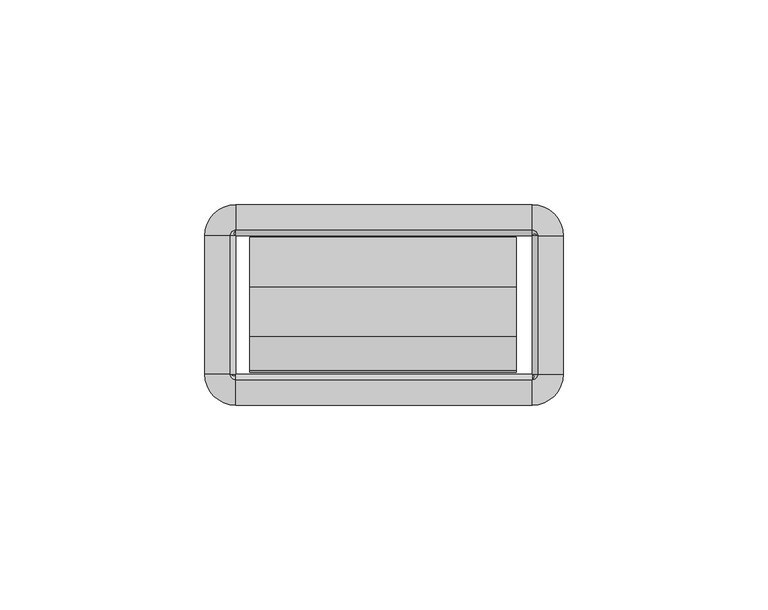
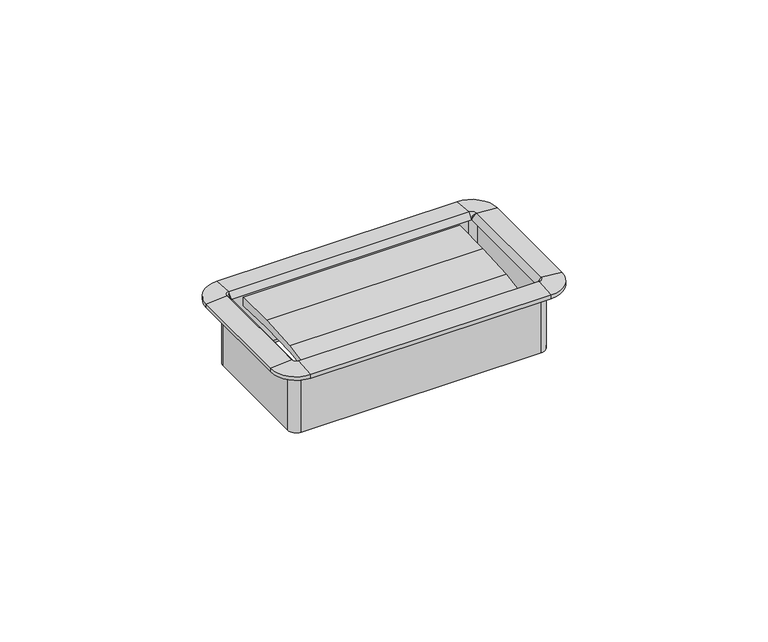
"""IFC4 building model written with IfcOpenShell, lengths in millimetres: furniture geometry."""

import ifcopenshell
import ifcopenshell.guid

model = None  # the IFC model being written
_history = None  # IfcOwnerHistory: only IFC2X3 demands one
_inside = {}  # id of a spatial element -> (the spatial element, [elements in it])
_under = {}  # id of a project, library or spatial element -> (it, [spatial elements below it])
_declared = {}  # id of a project -> (the project, [libraries it declares])
_typed = {}  # id of a type object -> (the type object, [elements of that type])
_made_of = {}  # id of a material, layer set ... -> (it, [elements and type objects made of it])


def new_model(schema):
    """Start an empty IFC model of exactly this schema.

    Asked for "IFC4X3", IfcOpenShell would pick the latest addendum, in which some entities
    have other attributes; the version numbers below select the first issue.
    IFC2X3 requires an IfcOwnerHistory on every rooted entity: one is made here for all.
    """
    global model, _history
    if schema == "IFC4X3":
        model = ifcopenshell.file(schema_version=(4, 3, 0, 0))
    else:
        model = ifcopenshell.file(schema=schema)
    _inside.clear()
    _under.clear()
    _declared.clear()
    _typed.clear()
    _made_of.clear()
    _history = None
    if model.schema == "IFC2X3":
        org = make("IfcOrganization", Name="unknown")
        user = make(
            "IfcPersonAndOrganization",
            ThePerson=make("IfcPerson", FamilyName="unknown"),
            TheOrganization=org,
        )
        app = make(
            "IfcApplication",
            ApplicationDeveloper=org,
            Version="unknown",
            ApplicationFullName="unknown",
            ApplicationIdentifier="unknown",
        )
        _history = make(
            "IfcOwnerHistory",
            OwningUser=user,
            OwningApplication=app,
            ChangeAction="ADDED",
            CreationDate=0,
        )
    return model


def make(cls, **values):
    """One entity of the class cls with the attributes given. An attribute that is None is left unset."""
    return model.create_entity(
        cls, **{name: value for name, value in values.items() if value is not None}
    )


def rooted(cls, **values):
    """An entity with a GlobalId (a new one), such as an element, a storey or a relation."""
    return make(cls, GlobalId=ifcopenshell.guid.new(), OwnerHistory=_history, **values)


def si_unit(unit_type, name, prefix=None):
    """IfcSIUnit, for example si_unit("LENGTHUNIT", "METRE", prefix="MILLI")."""
    return make("IfcSIUnit", UnitType=unit_type, Prefix=prefix, Name=name)


def assignment(units):
    """IfcUnitAssignment: the units of a project."""
    return None if units is None else make("IfcUnitAssignment", Units=units)


def point(xyz):
    """IfcCartesianPoint."""
    return None if xyz is None else make("IfcCartesianPoint", Coordinates=xyz)


def direction(xyz):
    """IfcDirection."""
    return None if xyz is None else make("IfcDirection", DirectionRatios=xyz)


def frame(location, z_axis=None, x_axis=None):
    """IfcAxis2Placement3D, a coordinate frame: its origin and axes. An axis left out is left unset."""
    return make(
        "IfcAxis2Placement3D",
        Location=point(location),
        Axis=direction(z_axis),
        RefDirection=direction(x_axis),
    )


def origin():
    """The frame at (0, 0, 0) with its axes left unset."""
    return frame((0.0, 0.0, 0.0))


def place(relative_to, where):
    """IfcLocalPlacement: puts the frame where relative to a parent placement (None: the world)."""
    return make(
        "IfcLocalPlacement", PlacementRelTo=relative_to, RelativePlacement=where
    )


def context(
    kind, dimensions, precision=None, world=None, true_north=None, identifier=None
):
    """IfcGeometricRepresentationContext, for example the 3D "Model" context."""
    return make(
        "IfcGeometricRepresentationContext",
        ContextIdentifier=identifier,
        ContextType=kind,
        CoordinateSpaceDimension=dimensions,
        Precision=precision,
        WorldCoordinateSystem=world,
        TrueNorth=true_north,
    )


def project(units=None, contexts=None):
    """IfcProject with its units and contexts."""
    return rooted(
        "IfcProject",
        Name="project",
        RepresentationContexts=contexts,
        UnitsInContext=assignment(units),
    )


def spatial(cls, under=None, at=None, **own):
    """A site, building, storey or space (cls), placed at a placement, below another one or the project."""
    s = rooted(cls, ObjectPlacement=at, **own)
    if under is not None:
        _under.setdefault(under.id(), (under, []))[1].append(s)
    return s


def polyline(points):
    """IfcPolyline through the points."""
    return make("IfcPolyline", Points=[point(p) for p in points])


def circle_curve(where, radius):
    """IfcCircle in the frame where."""
    return make("IfcCircle", Position=where, Radius=radius)


def outline(outer, holes=None, kind="AREA"):
    """IfcArbitraryClosedProfileDef: a profile drawn as a closed curve; with holes, ...WithVoids."""
    if holes is None:
        return make("IfcArbitraryClosedProfileDef", ProfileType=kind, OuterCurve=outer)
    return make(
        "IfcArbitraryProfileDefWithVoids",
        ProfileType=kind,
        OuterCurve=outer,
        InnerCurves=holes,
    )


def extrude(swept, where, along, depth):
    """IfcExtrudedAreaSolid: the profile swept, set in the frame where, extruded along a direction by depth."""
    return make(
        "IfcExtrudedAreaSolid",
        SweptArea=swept,
        Position=where,
        ExtrudedDirection=direction(along),
        Depth=depth,
    )


def shape(context_of_items, identifier, shape_type, items):
    """IfcShapeRepresentation: the items that make up one representation, for example the "Body"."""
    return make(
        "IfcShapeRepresentation",
        ContextOfItems=context_of_items,
        RepresentationIdentifier=identifier,
        RepresentationType=shape_type,
        Items=items,
    )


def source(mapping_origin, context_of_items, identifier, shape_type, items):
    """IfcRepresentationMap: a shape defined once, which mapped items show again and again."""
    return make(
        "IfcRepresentationMap",
        MappingOrigin=mapping_origin,
        MappedRepresentation=shape(context_of_items, identifier, shape_type, items),
    )


def transform(
    local_origin,
    x_axis=None,
    y_axis=None,
    z_axis=None,
    scale=None,
    scale2=None,
    scale3=None,
    uniform=True,
):
    """IfcCartesianTransformationOperator3D, or its non-uniform kind. x_axis, y_axis, z_axis: its Axis1, 2, 3."""
    if uniform:
        return make(
            "IfcCartesianTransformationOperator3D",
            Axis1=direction(x_axis),
            Axis2=direction(y_axis),
            LocalOrigin=point(local_origin),
            Scale=scale,
            Axis3=direction(z_axis),
        )
    return make(
        "IfcCartesianTransformationOperator3DnonUniform",
        Axis1=direction(x_axis),
        Axis2=direction(y_axis),
        LocalOrigin=point(local_origin),
        Scale=scale,
        Axis3=direction(z_axis),
        Scale2=scale2,
        Scale3=scale3,
    )


def mapped(mapping_source, mapping_target):
    """IfcMappedItem: shows the shape of a source again, moved by a transform."""
    return make(
        "IfcMappedItem", MappingSource=mapping_source, MappingTarget=mapping_target
    )


def made_of(thing, what):
    """Note that an element or type object is made of a material, layer set ...; save() writes the relation."""
    if what is not None:
        _made_of.setdefault(what.id(), (what, []))[1].append(thing)
    return thing


def element(
    cls,
    number,
    at=None,
    inside=None,
    cuts=None,
    type_object=None,
    material=None,
    context=None,
    identifier="Body",
    shape_type=None,
    held_by="IfcProductDefinitionShape",
    body=None,
    shapes=None,
    **own,
):
    """One element of the class cls, such as IfcWall. Its Tag is "e" and its number.

    at: its placement. inside: the storey or other place that contains it. cuts: it is an
    opening in that element (IfcRelVoidsElement). A single representation is given by context,
    identifier, shape_type and body (its items); several are given by shapes. held_by: the class
    of the entity that holds the representations. save() writes the other relations.
    """
    e = rooted(cls, Tag="e%d" % number, ObjectPlacement=at, **own)
    if body is not None:
        shapes = [shape(context, identifier, shape_type, body)]
    if shapes is not None:
        e.Representation = make(held_by, Representations=shapes)
    if inside is not None:
        _inside.setdefault(inside.id(), (inside, []))[1].append(e)
    if cuts is not None:
        rooted(
            "IfcRelVoidsElement", RelatingBuildingElement=cuts, RelatedOpeningElement=e
        )
    if type_object is not None:
        _typed.setdefault(type_object.id(), (type_object, []))[1].append(e)
    return made_of(e, material)


def aggregate(whole, parts):
    """IfcRelAggregates: a whole, such as a stair, and the parts it consists of."""
    return rooted("IfcRelAggregates", RelatingObject=whole, RelatedObjects=parts)


def save(model, path):
    """Write the relations noted so far, then the file.

    IfcRelAggregates (storeys below a building ...), IfcRelContainedInSpatialStructure (elements
    in a storey), IfcRelDefinesByType, IfcRelAssociatesMaterial and IfcRelDeclares: one each for
    every whole, place, type object, material and project.
    """
    for whole, parts in _under.values():
        aggregate(whole, parts)
    for where, things in _inside.values():
        rooted(
            "IfcRelContainedInSpatialStructure",
            RelatedElements=things,
            RelatingStructure=where,
        )
    for kind, things in _typed.values():
        rooted("IfcRelDefinesByType", RelatedObjects=things, RelatingType=kind)
    for what, things in _made_of.values():
        rooted("IfcRelAssociatesMaterial", RelatedObjects=things, RelatingMaterial=what)
    for by, libraries in _declared.values():
        rooted("IfcRelDeclares", RelatingContext=by, RelatedDefinitions=libraries)
    model.write(path)


def plane_surface(at):
    """IfcPlane: the flat surface through the origin of the frame at, square to its z axis."""
    return make("IfcPlane", Position=at)


def cylinder_surface(at, radius):
    """IfcCylindricalSurface: all points at the distance radius from the z axis of the frame at."""
    return make("IfcCylindricalSurface", Position=at, Radius=radius)


def revolved_surface(curve, axis_point, axis_direction):
    """IfcSurfaceOfRevolution: the curve turned about the line through axis_point along axis_direction."""
    return make(
        "IfcSurfaceOfRevolution",
        SweptCurve=make("IfcArbitraryOpenProfileDef", ProfileType="CURVE", Curve=curve),
        AxisPosition=make("IfcAxis1Placement", Location=point(axis_point), Axis=direction(axis_direction)),
    )


def advanced_brep(points, edges, surfaces, faces):
    """IfcAdvancedBrep: a solid bounded by faces that lie on surfaces and meet in shared edges.

    An edge is (start, end): straight between two places in points (the first is 0);
    or (start, end, curve); or (start, end, curve, False) where it runs against its curve.
    A face is (place in surfaces, loops), or (place, loops, False) where it looks against
    its surface's normal. A loop lists edges by number (the first is 1), with a minus sign
    where the edge is run from its end to its start. The first loop is the outer one.
    """
    corners = [point(p) for p in points]
    vertices = [make("IfcVertexPoint", VertexGeometry=c) for c in corners]
    made = []
    for start, end, *more in edges:
        made.append(
            make(
                "IfcEdgeCurve",
                EdgeStart=vertices[start],
                EdgeEnd=vertices[end],
                EdgeGeometry=more[0] if more else make("IfcPolyline", Points=[corners[start], corners[end]]),
                SameSense=more[1] if len(more) > 1 else True,
            )
        )
    hull = []
    for where, loops, *sense in faces:
        bounds = []
        for j, loop in enumerate(loops):
            ring = [make("IfcOrientedEdge", EdgeElement=made[abs(k) - 1], Orientation=k > 0) for k in loop]
            bounds.append(
                make(
                    "IfcFaceOuterBound" if j == 0 else "IfcFaceBound",
                    Bound=make("IfcEdgeLoop", EdgeList=ring),
                    Orientation=True,
                )
            )
        hull.append(make("IfcAdvancedFace", Bounds=bounds, FaceSurface=surfaces[where], SameSense=sense[0] if sense else True))
    return make("IfcAdvancedBrep", Outer=make("IfcClosedShell", CfsFaces=hull))


def furniture_2caec960(model_context):
    return source(origin(), model_context, "Body", "SolidModel", [
        extrude(outline(polyline([(-27.4015977, 696.4120863), (-35.841251, 695.3485162), (-35.4230807, 696.7264643), (-27.1272776, 698.2654801), (-15.0207956, 699.0590476), (-2.8884162, 699.1041428), (-2.9633248, 696.3459915), (-15.1814712, 696.7449755), (-27.4015977, 696.4120863)])), frame((-32.8496732, 0.0, 0.0), z_axis=(1.0, 0.0, 0.0), x_axis=(0.0, 1.0, 0.0)), (0.0, 0.0, 1.0), 65.1763996),
        advanced_brep(
        [(37.8602578, -2.54, 699.34074), (36.1704551, -0.8501974, 699.34074), (36.1704551, -0.8501974, 680.49394), (37.8602578, -2.54, 680.49394), (37.5244377, -2.54, 701.0059854), (36.1704551, -1.1860174, 701.0059854), (36.1704551, -2.5172282, 699.34074), (43.7913825, -2.54, 700.48374), (36.1704551, 5.0809274, 700.48374), (43.7913825, -2.54, 699.34074), (36.1704551, 5.0809274, 699.34074), (38.7104551, -2.54, 679.0207389), (36.1704551, 0.0, 679.0207389), (36.1704551, 0.0, 699.34074), (38.7104551, -2.54, 699.34074), (37.8602578, -36.2712, 680.49394), (37.8602578, -36.2712, 699.34074), (36.1932269, -36.2712, 699.34074), (37.5244377, -36.2712, 701.0059854), (43.7913825, -36.2712, 700.48374), (43.7913825, -36.2712, 699.34074), (38.7104551, -36.2712, 699.34074), (38.7104551, -36.2712, 679.0207389), (36.1704551, -37.9610026, 699.34074), (36.1704551, -37.9610026, 680.49394), (36.1704551, -37.6251826, 701.0059854), (36.1704551, -43.8921274, 700.48374), (36.1704551, -43.8921274, 699.34074), (36.1704551, -38.8112, 679.0207389), (36.1704551, -38.8112, 699.34074), (-36.1687428, -37.9610026, 680.49394), (-36.1687428, -37.9610026, 699.34074), (-36.1687428, -36.2939718, 699.34074), (-36.1687428, -37.6251826, 701.0059854), (-36.1687428, -43.8921274, 700.48374), (-36.1687428, -43.8921274, 699.34074), (-36.1687428, -38.8112, 699.34074), (-36.1687428, -38.8112, 679.0207389), (-37.8585455, -36.2712, 699.34074), (-37.8585455, -36.2712, 680.49394), (-37.5227254, -36.2712, 701.0059854), (-43.7896702, -36.2712, 700.48374), (-43.7896702, -36.2712, 699.34074), (-38.7087428, -36.2712, 679.0207389), (-38.7087428, -36.2712, 699.34074), (-37.8585455, -2.54, 680.49394), (-37.8585455, -2.54, 699.34074), (-36.1915146, -2.54, 699.34074), (-37.5227254, -2.54, 701.0059854), (-43.7896702, -2.54, 700.48374), (-43.7896702, -2.54, 699.34074), (-38.7087428, -2.54, 699.34074), (-38.7087428, -2.54, 679.0207389), (-36.1687428, -0.8501974, 699.34074), (-36.1687428, -0.8501974, 680.49394), (-36.1687428, -1.1860174, 701.0059854), (-36.1687428, 5.0809274, 700.48374), (-36.1687428, 5.0809274, 699.34074), (-36.1687428, 0.0, 679.0207389), (-36.1687428, 0.0, 699.34074), (38.6519521, -2.54, 680.49394), (36.1704551, -0.058503, 680.49394), (38.6519521, -36.2712, 680.49394), (36.1704551, -38.752697, 680.49394), (-36.1687428, -38.752697, 680.49394), (-38.6502398, -36.2712, 680.49394), (-38.6502398, -2.54, 680.49394), (-36.1687428, -0.058503, 680.49394)],
        [
            (0, 1, circle_curve(frame((36.1704551, -2.54, 699.34074), z_axis=(0.0, 0.0, 1.0), x_axis=(0.0, 1.0, 0.0)), 1.6898026)),
            (1, 2),
            (2, 3, circle_curve(frame((36.1704551, -2.54, 680.49394), z_axis=(0.0, 0.0, -1.0), x_axis=(0.0, 1.0, 0.0)), 1.6898026)),
            (3, 0),
            (4, 5, circle_curve(frame((36.1704551, -2.54, 701.0059854), z_axis=(0.0, 0.0, 1.0), x_axis=(0.0, 1.0, 0.0)), 1.3539826)),
            (5, 6),
            (6, 4),
            (7, 8, circle_curve(frame((36.1704551, -2.54, 700.48374), z_axis=(0.0, 0.0, 1.0), x_axis=(0.0, 1.0, 0.0)), 7.6209274)),
            (8, 5),
            (4, 7),
            (9, 10, circle_curve(frame((36.1704551, -2.54, 699.34074), z_axis=(0.0, 0.0, 1.0), x_axis=(0.0, 1.0, 0.0)), 7.6209274)),
            (10, 8),
            (7, 9),
            (11, 12, circle_curve(frame((36.1704551, -2.54, 679.0207389), z_axis=(0.0, 0.0, 1.0), x_axis=(0.0, 1.0, 0.0)), 2.54)),
            (12, 13),
            (13, 14, circle_curve(frame((36.1704551, -2.54, 699.34074), z_axis=(0.0, 0.0, -1.0), x_axis=(0.0, 1.0, 0.0)), 2.54)),
            (14, 11),
            (3, 15),
            (15, 16),
            (16, 0),
            (6, 17),
            (17, 18),
            (18, 4),
            (18, 19),
            (19, 7),
            (19, 20),
            (20, 9),
            (14, 21),
            (21, 22),
            (22, 11),
            (23, 16, circle_curve(frame((36.1704551, -36.2712, 699.34074), z_axis=(0.0, 0.0, 1.0), x_axis=(1.0, 0.0, 0.0)), 1.6898026)),
            (15, 24, circle_curve(frame((36.1704551, -36.2712, 680.49394), z_axis=(0.0, 0.0, -1.0), x_axis=(1.0, 0.0, 0.0)), 1.6898026)),
            (24, 23),
            (25, 18, circle_curve(frame((36.1704551, -36.2712, 701.0059854), z_axis=(0.0, 0.0, 1.0), x_axis=(1.0, 0.0, 0.0)), 1.3539826)),
            (17, 25),
            (26, 19, circle_curve(frame((36.1704551, -36.2712, 700.48374), z_axis=(0.0, 0.0, 1.0), x_axis=(1.0, 0.0, 0.0)), 7.6209274)),
            (25, 26),
            (27, 20, circle_curve(frame((36.1704551, -36.2712, 699.34074), z_axis=(0.0, 0.0, 1.0), x_axis=(1.0, 0.0, 0.0)), 7.6209274)),
            (26, 27),
            (28, 22, circle_curve(frame((36.1704551, -36.2712, 679.0207389), z_axis=(0.0, 0.0, 1.0), x_axis=(1.0, 0.0, 0.0)), 2.54)),
            (21, 29, circle_curve(frame((36.1704551, -36.2712, 699.34074), z_axis=(0.0, 0.0, -1.0), x_axis=(1.0, 0.0, 0.0)), 2.54)),
            (29, 28),
            (24, 30),
            (30, 31),
            (31, 23),
            (17, 32),
            (32, 33),
            (33, 25),
            (33, 34),
            (34, 26),
            (34, 35),
            (35, 27),
            (29, 36),
            (36, 37),
            (37, 28),
            (38, 31, circle_curve(frame((-36.1687428, -36.2712, 699.34074), z_axis=(0.0, 0.0, 1.0), x_axis=(0.0, -1.0, 0.0)), 1.6898026)),
            (30, 39, circle_curve(frame((-36.1687428, -36.2712, 680.49394), z_axis=(0.0, 0.0, -1.0), x_axis=(0.0, -1.0, 0.0)), 1.6898026)),
            (39, 38),
            (40, 33, circle_curve(frame((-36.1687428, -36.2712, 701.0059854), z_axis=(0.0, 0.0, 1.0), x_axis=(0.0, -1.0, 0.0)), 1.3539826)),
            (32, 40),
            (41, 34, circle_curve(frame((-36.1687428, -36.2712, 700.48374), z_axis=(0.0, 0.0, 1.0), x_axis=(0.0, -1.0, 0.0)), 7.6209274)),
            (40, 41),
            (42, 35, circle_curve(frame((-36.1687428, -36.2712, 699.34074), z_axis=(0.0, 0.0, 1.0), x_axis=(0.0, -1.0, 0.0)), 7.6209274)),
            (41, 42),
            (43, 37, circle_curve(frame((-36.1687428, -36.2712, 679.0207389), z_axis=(0.0, 0.0, 1.0), x_axis=(0.0, -1.0, 0.0)), 2.54)),
            (36, 44, circle_curve(frame((-36.1687428, -36.2712, 699.34074), z_axis=(0.0, 0.0, -1.0), x_axis=(0.0, -1.0, 0.0)), 2.54)),
            (44, 43),
            (39, 45),
            (45, 46),
            (46, 38),
            (32, 47),
            (47, 48),
            (48, 40),
            (48, 49),
            (49, 41),
            (49, 50),
            (50, 42),
            (44, 51),
            (51, 52),
            (52, 43),
            (53, 46, circle_curve(frame((-36.1687428, -2.54, 699.34074), z_axis=(0.0, 0.0, 1.0), x_axis=(-1.0, 0.0, 0.0)), 1.6898026)),
            (45, 54, circle_curve(frame((-36.1687428, -2.54, 680.49394), z_axis=(0.0, 0.0, -1.0), x_axis=(-1.0, 0.0, 0.0)), 1.6898026)),
            (54, 53),
            (55, 48, circle_curve(frame((-36.1687428, -2.54, 701.0059854), z_axis=(0.0, 0.0, 1.0), x_axis=(-1.0, 0.0, 0.0)), 1.3539826)),
            (47, 55),
            (56, 49, circle_curve(frame((-36.1687428, -2.54, 700.48374), z_axis=(0.0, 0.0, 1.0), x_axis=(-1.0, 0.0, 0.0)), 7.6209274)),
            (55, 56),
            (57, 50, circle_curve(frame((-36.1687428, -2.54, 699.34074), z_axis=(0.0, 0.0, 1.0), x_axis=(-1.0, 0.0, 0.0)), 7.6209274)),
            (56, 57),
            (58, 52, circle_curve(frame((-36.1687428, -2.54, 679.0207389), z_axis=(0.0, 0.0, 1.0), x_axis=(-1.0, 0.0, 0.0)), 2.54)),
            (51, 59, circle_curve(frame((-36.1687428, -2.54, 699.34074), z_axis=(0.0, 0.0, -1.0), x_axis=(-1.0, 0.0, 0.0)), 2.54)),
            (59, 58),
            (54, 2),
            (1, 53),
            (6, 47),
            (5, 55),
            (8, 56),
            (10, 57),
            (13, 59),
            (12, 58),
            (60, 61, circle_curve(frame((36.1704551, -2.54, 680.49394), z_axis=(0.0, 0.0, 1.0), x_axis=(0.0, 1.0, 0.0)), 2.481497)),
            (61, 12),
            (11, 60),
            (22, 62),
            (62, 60),
            (63, 62, circle_curve(frame((36.1704551, -36.2712, 680.49394), z_axis=(0.0, 0.0, 1.0), x_axis=(1.0, 0.0, 0.0)), 2.481497)),
            (28, 63),
            (37, 64),
            (64, 63),
            (65, 64, circle_curve(frame((-36.1687428, -36.2712, 680.49394), z_axis=(0.0, 0.0, 1.0), x_axis=(0.0, -1.0, 0.0)), 2.481497)),
            (43, 65),
            (52, 66),
            (66, 65),
            (67, 66, circle_curve(frame((-36.1687428, -2.54, 680.49394), z_axis=(0.0, 0.0, 1.0), x_axis=(-1.0, 0.0, 0.0)), 2.481497)),
            (58, 67),
            (61, 67),
        ],
        [
            revolved_surface(polyline([(36.1704551, -0.8501974000000001, 680.49394), (36.1704551, -0.8501974000000001, 699.34074)]), (36.1704551, -2.54, 699.34074), (0.0, 0.0, -1.0)),
            revolved_surface(polyline([(36.1704551, -2.5172282, 699.34074), (36.1704551, -1.1860174, 701.0059854)]), (36.1704551, -2.54, 699.34074), (0.0, 0.0, -1.0)),
            revolved_surface(polyline([(36.1704551, -1.1860174, 701.0059854), (36.1704551, 5.0809274, 700.48374)]), (36.1704551, -2.54, 699.34074), (0.0, 0.0, -1.0)),
            cylinder_surface(frame((36.1704551, -2.54, 699.34074), z_axis=(0.0, 0.0, -1.0), x_axis=(0.0, 1.0, 0.0)), 7.6209274),
            cylinder_surface(frame((36.1704551, -2.54, 699.34074), z_axis=(0.0, 0.0, -1.0), x_axis=(0.0, 1.0, 0.0)), 2.54),
            plane_surface(frame((37.8602578, -2.54, 680.49394), z_axis=(-1.0, 0.0, 0.0), x_axis=(0.0, -1.0, 0.0))),
            plane_surface(frame((36.1932269, -2.54, 699.34074), z_axis=(-0.7810942622858547, 0.0, 0.6244131272035499), x_axis=(0.0, -1.0, 0.0))),
            plane_surface(frame((37.5244377, -2.54, 701.0059854), z_axis=(0.08304548081379862, 0.0, 0.9965457581648749), x_axis=(0.0, -1.0, 0.0))),
            plane_surface(frame((43.7913825, -2.54, 700.48374), z_axis=(1.0, 0.0, 0.0), x_axis=(0.0, -1.0, 0.0))),
            plane_surface(frame((38.7104551, -2.54, 699.34074), z_axis=(1.0, 0.0, 0.0), x_axis=(0.0, -1.0, 0.0))),
            revolved_surface(polyline([(37.8602577, -36.2712, 680.49394), (37.8602577, -36.2712, 699.34074)]), (36.1704551, -36.2712, 699.34074), (0.0, 0.0, -1.0)),
            revolved_surface(polyline([(36.1932269, -36.2712, 699.34074), (37.5244377, -36.2712, 701.0059854)]), (36.1704551, -36.2712, 699.34074), (0.0, 0.0, -1.0)),
            revolved_surface(polyline([(37.5244377, -36.2712, 701.0059854), (43.7913825, -36.2712, 700.48374)]), (36.1704551, -36.2712, 699.34074), (0.0, 0.0, -1.0)),
            cylinder_surface(frame((36.1704551, -36.2712, 699.34074), z_axis=(0.0, 0.0, -1.0), x_axis=(1.0, 0.0, 0.0)), 7.6209274),
            cylinder_surface(frame((36.1704551, -36.2712, 699.34074), z_axis=(0.0, 0.0, -1.0), x_axis=(1.0, 0.0, 0.0)), 2.54),
            plane_surface(frame((36.1704551, -37.9610026, 680.49394), z_axis=(0.0, 1.0, 0.0), x_axis=(-1.0, 0.0, 0.0))),
            plane_surface(frame((36.1704551, -36.2939718, 699.34074), z_axis=(0.0, 0.7810942622858565, 0.6244131272035475), x_axis=(-1.0, 0.0, 0.0))),
            plane_surface(frame((36.1704551, -37.6251826, 701.0059854), z_axis=(0.0, -0.08304548081379555, 0.9965457581648751), x_axis=(-1.0, 0.0, 0.0))),
            plane_surface(frame((36.1704551, -43.8921274, 700.48374), z_axis=(0.0, -1.0, 0.0), x_axis=(-1.0, 0.0, 0.0))),
            plane_surface(frame((36.1704551, -38.8112, 699.34074), z_axis=(0.0, -1.0, 0.0), x_axis=(-1.0, 0.0, 0.0))),
            revolved_surface(polyline([(-36.1687428, -37.9610026, 680.49394), (-36.1687428, -37.9610026, 699.34074)]), (-36.1687428, -36.2712, 699.34074), (0.0, 0.0, -1.0)),
            revolved_surface(polyline([(-36.1687428, -36.2939718, 699.34074), (-36.1687428, -37.6251826, 701.0059854)]), (-36.1687428, -36.2712, 699.34074), (0.0, 0.0, -1.0)),
            revolved_surface(polyline([(-36.1687428, -37.6251826, 701.0059854), (-36.1687428, -43.8921274, 700.48374)]), (-36.1687428, -36.2712, 699.34074), (0.0, 0.0, -1.0)),
            cylinder_surface(frame((-36.1687428, -36.2712, 699.34074), z_axis=(0.0, 0.0, -1.0), x_axis=(0.0, -1.0, 0.0)), 7.6209274),
            cylinder_surface(frame((-36.1687428, -36.2712, 699.34074), z_axis=(0.0, 0.0, -1.0), x_axis=(0.0, -1.0, 0.0)), 2.54),
            plane_surface(frame((-37.8585455, -36.2712, 680.49394), z_axis=(1.0, 0.0, 0.0), x_axis=(0.0, 1.0, 0.0))),
            plane_surface(frame((-36.1915146, -36.2712, 699.34074), z_axis=(0.7810942622858585, 0.0, 0.6244131272035451), x_axis=(0.0, 1.0, 0.0))),
            plane_surface(frame((-37.5227254, -36.2712, 701.0059854), z_axis=(-0.08304548081379248, 0.0, 0.9965457581648753), x_axis=(0.0, 1.0, 0.0))),
            plane_surface(frame((-43.7896702, -36.2712, 700.48374), z_axis=(-1.0, 0.0, 0.0), x_axis=(0.0, 1.0, 0.0))),
            plane_surface(frame((-38.7087428, -36.2712, 699.34074), z_axis=(-1.0, 0.0, 0.0), x_axis=(0.0, 1.0, 0.0))),
            revolved_surface(polyline([(-37.8585454, -2.54, 680.49394), (-37.8585454, -2.54, 699.34074)]), (-36.1687428, -2.54, 699.34074), (0.0, 0.0, -1.0)),
            revolved_surface(polyline([(-36.1915146, -2.54, 699.34074), (-37.5227254, -2.54, 701.0059854)]), (-36.1687428, -2.54, 699.34074), (0.0, 0.0, -1.0)),
            revolved_surface(polyline([(-37.5227254, -2.54, 701.0059854), (-43.7896702, -2.54, 700.48374)]), (-36.1687428, -2.54, 699.34074), (0.0, 0.0, -1.0)),
            cylinder_surface(frame((-36.1687428, -2.54, 699.34074), z_axis=(0.0, 0.0, -1.0), x_axis=(-1.0, 0.0, 0.0)), 7.6209274),
            cylinder_surface(frame((-36.1687428, -2.54, 699.34074), z_axis=(0.0, 0.0, -1.0), x_axis=(-1.0, 0.0, 0.0)), 2.54),
            plane_surface(frame((-36.1687428, -0.8501974, 680.49394), z_axis=(0.0, -1.0, 0.0), x_axis=(1.0, 0.0, 0.0))),
            plane_surface(frame((-36.1687428, -0.8501974, 699.34074), z_axis=(0.0, 0.0, -1.0), x_axis=(1.0, 0.0, 0.0))),
            plane_surface(frame((-36.1687428, -2.5172282, 699.34074), z_axis=(0.0, -0.7810942622858567, 0.6244131272035476), x_axis=(1.0, 0.0, 0.0))),
            plane_surface(frame((-36.1687428, -1.1860174, 701.0059854), z_axis=(0.0, 0.08304548081379555, 0.9965457581648751), x_axis=(1.0, 0.0, 0.0))),
            plane_surface(frame((-36.1687428, 5.0809274, 700.48374), z_axis=(0.0, 1.0, 0.0), x_axis=(1.0, 0.0, 0.0))),
            plane_surface(frame((-36.1687428, 5.0809274, 699.34074), z_axis=(0.0, 0.0, -1.0), x_axis=(1.0, 0.0, 0.0))),
            plane_surface(frame((-36.1687428, 0.0, 699.34074), z_axis=(0.0, 1.0, 0.0), x_axis=(1.0, 0.0, 0.0))),
            revolved_surface(polyline([(36.1704551, 0.0, 679.0207389), (36.1704551, -0.058503, 680.49394)]), (36.1704551, -2.54, 699.34074), (0.0, 0.0, -1.0)),
            plane_surface(frame((38.7104551, -2.54, 679.0207389), z_axis=(-0.9992124303949471, 0.0, -0.03968020847000604), x_axis=(0.0, -1.0, 0.0))),
            revolved_surface(polyline([(38.7104551, -36.2712, 679.0207389), (38.6519521, -36.2712, 680.49394)]), (36.1704551, -36.2712, 699.34074), (0.0, 0.0, -1.0)),
            plane_surface(frame((36.1704551, -38.8112, 679.0207389), z_axis=(0.0, 0.999212430394947, -0.039680208470009116), x_axis=(-1.0, 0.0, 0.0))),
            revolved_surface(polyline([(-36.1687428, -38.8112, 679.0207389), (-36.1687428, -38.752697, 680.49394)]), (-36.1687428, -36.2712, 699.34074), (0.0, 0.0, -1.0)),
            plane_surface(frame((-38.7087428, -36.2712, 679.0207389), z_axis=(0.9992124303949469, 0.0, -0.03968020847001219), x_axis=(0.0, 1.0, 0.0))),
            revolved_surface(polyline([(-38.7087428, -2.54, 679.0207389), (-38.6502398, -2.54, 680.49394)]), (-36.1687428, -2.54, 699.34074), (0.0, 0.0, -1.0)),
            plane_surface(frame((-36.1687428, 0.0, 679.0207389), z_axis=(0.0, -0.999212430394947, -0.039680208470009116), x_axis=(1.0, 0.0, 0.0))),
            plane_surface(frame((-36.1687428, -0.058503, 680.49394), z_axis=(0.0, 0.0, -1.0), x_axis=(1.0, 0.0, 0.0))),
        ],
        [
            (0, [[1, 2, 3, 4]]),
            (1, [[5, 6, 7]]),
            (2, [[8, 9, -5, 10]]),
            (3, [[11, 12, -8, 13]]),
            (4, [[14, 15, 16, 17]]),
            (5, [[-4, 18, 19, 20]]),
            (6, [[-7, 21, 22, 23]]),
            (7, [[-10, -23, 24, 25]]),
            (8, [[-13, -25, 26, 27]]),
            (9, [[-17, 28, 29, 30]]),
            (10, [[31, -19, 32, 33]]),
            (11, [[34, -22, 35]]),
            (12, [[36, -24, -34, 37]]),
            (13, [[38, -26, -36, 39]]),
            (14, [[40, -29, 41, 42]]),
            (15, [[-33, 43, 44, 45]]),
            (16, [[-35, 46, 47, 48]]),
            (17, [[-37, -48, 49, 50]]),
            (18, [[-39, -50, 51, 52]]),
            (19, [[-42, 53, 54, 55]]),
            (20, [[56, -44, 57, 58]]),
            (21, [[59, -47, 60]]),
            (22, [[61, -49, -59, 62]]),
            (23, [[63, -51, -61, 64]]),
            (24, [[65, -54, 66, 67]]),
            (25, [[-58, 68, 69, 70]]),
            (26, [[-60, 71, 72, 73]]),
            (27, [[-62, -73, 74, 75]]),
            (28, [[-64, -75, 76, 77]]),
            (29, [[-67, 78, 79, 80]]),
            (30, [[81, -69, 82, 83]]),
            (31, [[84, -72, 85]]),
            (32, [[86, -74, -84, 87]]),
            (33, [[88, -76, -86, 89]]),
            (34, [[90, -79, 91, 92]]),
            (35, [[-83, 93, -2, 94]]),
            (36, [[-70, -81, -94, -1, -20, -31, -45, -56], [95, -71, -46, -21]]),
            (37, [[-85, -95, -6, 96]]),
            (38, [[-87, -96, -9, 97]]),
            (39, [[-89, -97, -12, 98]]),
            (40, [[-77, -88, -98, -11, -27, -38, -52, -63], [99, -91, -78, -66, -53, -41, -28, -16]]),
            (41, [[-92, -99, -15, 100]]),
            (42, [[101, 102, -14, 103]]),
            (43, [[-103, -30, 104, 105]]),
            (44, [[106, -104, -40, 107]]),
            (45, [[-107, -55, 108, 109]]),
            (46, [[110, -108, -65, 111]]),
            (47, [[-111, -80, 112, 113]]),
            (48, [[114, -112, -90, 115]]),
            (49, [[-115, -100, -102, 116]]),
            (50, [[-113, -114, -116, -101, -105, -106, -109, -110], [-93, -82, -68, -57, -43, -32, -18, -3]]),
        ],
    ),
    ])


if __name__ == "__main__":
    model = new_model("IFC4")
    model_context = context("Model", 3, world=origin())
    ifc_project = project(units=[si_unit("LENGTHUNIT", "METRE", prefix="MILLI")], contexts=[model_context])
    site = spatial("IfcSite", under=ifc_project)
    building = spatial("IfcBuilding", under=site)
    placement = place(None, origin())
    furniture_shape = furniture_2caec960(model_context)
    element("IfcFurniture", 1, at=placement, inside=building, context=model_context, shape_type="MappedRepresentation", body=[
        mapped(furniture_shape, transform((0.0, 0.0, 0.0), x_axis=(1.0, 0.0, 0.0), y_axis=(0.0, 1.0, 0.0), z_axis=(0.0, 0.0, 1.0))),
    ])
    save(model, "model.ifc")
